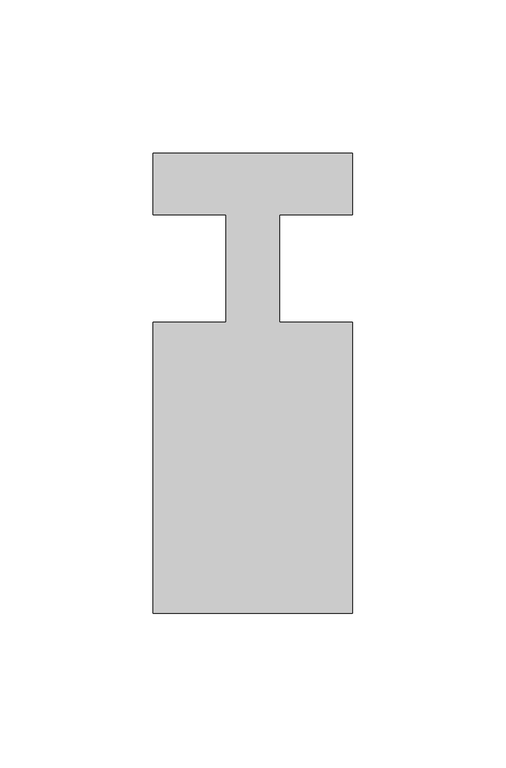
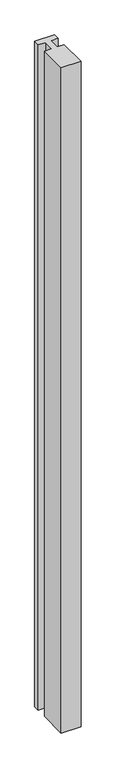
"""IFC4 building model written with IfcOpenShell, lengths in millimetres: member geometry."""

from ifc_helpers import new_model, si_unit, frame, origin, place, context, project, spatial, polyline, outline, extrude, source, transform, mapped, element, save


def member_3a8a1eb0(model_context):
    return source(origin(), model_context, "Body", "SweptSolid", [
        extrude(outline(polyline([(-65.0, 37.0), (0.0, 37.0), (0.0, 17.0), (-23.8125, 17.0), (-23.8125, -18.0), (0.0, -18.0), (0.0, -113.0), (-65.0, -113.0), (-65.0, -18.0), (-41.1875, -18.0), (-41.1875, 17.0), (-65.0, 17.0), (-65.0, 37.0)])), frame((0.0, 0.0, -2300.0), z_axis=(0.0, 0.0, 1.0), x_axis=(1.0, 0.0, 0.0)), (0.0, 0.0, 1.0), 2300.0),
    ])


if __name__ == "__main__":
    model = new_model("IFC4")
    model_context = context("Model", 3, world=origin())
    ifc_project = project(units=[si_unit("LENGTHUNIT", "METRE", prefix="MILLI")], contexts=[model_context])
    site = spatial("IfcSite", under=ifc_project)
    building = spatial("IfcBuilding", under=site)
    placement = place(None, origin())
    member_shape = member_3a8a1eb0(model_context)
    element("IfcMember", 1, at=placement, inside=building, context=model_context, shape_type="MappedRepresentation", body=[
        mapped(member_shape, transform((0.0, 0.0, 0.0), x_axis=(1.0, 0.0, 0.0), y_axis=(0.0, 1.0, 0.0), z_axis=(0.0, 0.0, 1.0))),
    ])
    save(model, "model.ifc")
